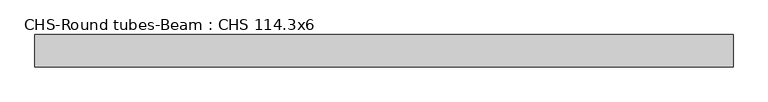
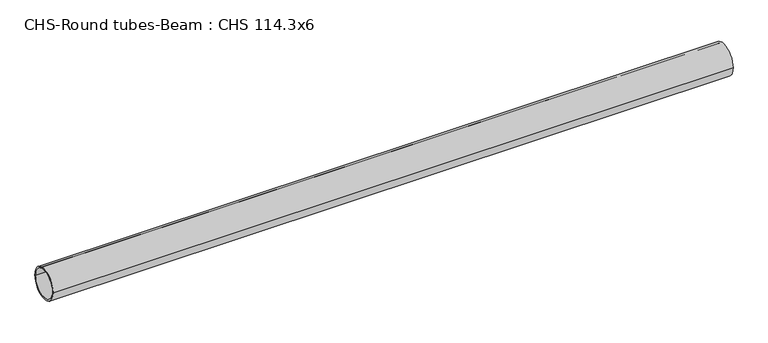
"""IFC4 building model written with IfcOpenShell, lengths in millimetres: beam geometry, CHS-Round tubes-Beam : CHS 114.3x6."""

from ifc_helpers import new_model, si_unit, point, frame, origin, origin_2d, place, context, project, spatial, circle_curve, trimmed, segment, composite_curve, outline, extrude, source, transform, mapped, element, save


def chs_round_tubes_beam_chs_114_3x6_ae2efed5(model_context):
    return source(origin(), model_context, "Body", "SweptSolid", [
        extrude(outline(composite_curve([segment(trimmed(circle_curve(origin_2d(), 57.15), [point((57.15, 0.0))], [point((-57.15, 0.0))], False, "CARTESIAN"), True, "CONTINUOUS"), segment(trimmed(circle_curve(origin_2d(), 57.15), [point((-57.15, 0.0))], [point((57.15, 0.0))], False, "CARTESIAN"), True, "CONTINUOUS")], self_intersect=False), holes=[composite_curve([segment(trimmed(circle_curve(origin_2d(), 51.15), [point((51.15, 0.0))], [point((-51.15, 0.0))], True, "CARTESIAN"), True, "CONTINUOUS"), segment(trimmed(circle_curve(origin_2d(), 51.15), [point((-51.15, 0.0))], [point((51.15, 0.0))], True, "CARTESIAN"), True, "CONTINUOUS")], self_intersect=False)]), frame((-1153.7977182, 0.0, 0.0), z_axis=(1.0, 0.0, 0.0), x_axis=(0.0, 1.0, 0.0)), (0.0, 0.0, 1.0), 2458.4744444),
    ])


if __name__ == "__main__":
    model = new_model("IFC4")
    model_context = context("Model", 3, world=origin())
    ifc_project = project(units=[si_unit("LENGTHUNIT", "METRE", prefix="MILLI")], contexts=[model_context])
    site = spatial("IfcSite", under=ifc_project)
    building = spatial("IfcBuilding", under=site)
    placement = place(None, origin())
    chs_round_tubes_beam_chs_114_3x6_shape = chs_round_tubes_beam_chs_114_3x6_ae2efed5(model_context)
    element("IfcBeam", 1, ObjectType="CHS-Round tubes-Beam : CHS 114.3x6", at=placement, inside=building, context=model_context, shape_type="MappedRepresentation", body=[
        mapped(chs_round_tubes_beam_chs_114_3x6_shape, transform((0.0, 0.0, 0.0), x_axis=(1.0, 0.0, 0.0), y_axis=(0.0, 1.0, 0.0), z_axis=(0.0, 0.0, 1.0))),
    ])
    save(model, "model.ifc")
